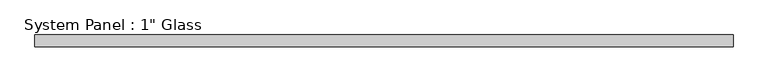
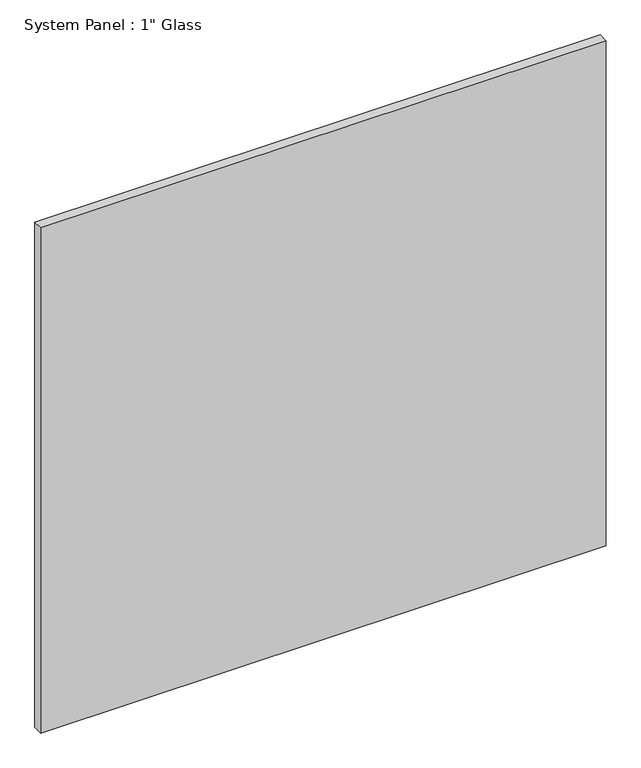
"""IFC4 building model written with IfcOpenShell, lengths in millimetres: plate geometry."""

from ifc_helpers import new_model, si_unit, origin, origin_with_axes, place, context, project, spatial, polyline, outline, extrude, source, transform, mapped, element, save


def plate_ccf55c8c(model_context):
    return source(origin(), model_context, "Body", "SweptSolid", [
        extrude(outline(polyline([(735.5930865, -12.7), (-735.5930865, -12.7), (-735.5930865, 12.7), (735.5930865, 12.7), (735.5930865, -12.7)])), origin_with_axes(), (0.0, 0.0, 1.0), 1388.8591382),
    ])


if __name__ == "__main__":
    model = new_model("IFC4")
    model_context = context("Model", 3, world=origin())
    ifc_project = project(units=[si_unit("LENGTHUNIT", "METRE", prefix="MILLI")], contexts=[model_context])
    site = spatial("IfcSite", under=ifc_project)
    building = spatial("IfcBuilding", under=site)
    placement = place(None, origin())
    plate_shape = plate_ccf55c8c(model_context)
    element("IfcPlate", 1, ObjectType="System Panel : 1\" Glass", at=placement, inside=building, context=model_context, shape_type="MappedRepresentation", body=[
        mapped(plate_shape, transform((0.0, 0.0, 0.0), x_axis=(1.0, 0.0, 0.0), y_axis=(0.0, 1.0, 0.0), z_axis=(0.0, 0.0, 1.0))),
    ])
    save(model, "model.ifc")
